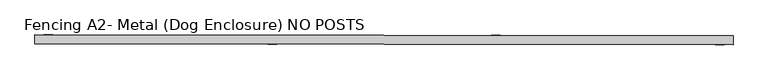
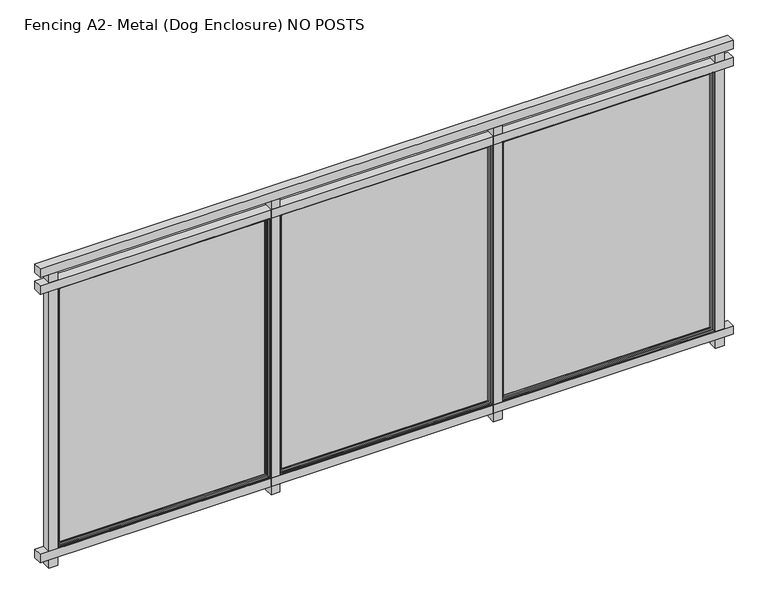
"""IFC4 building model written with IfcOpenShell, lengths in millimetres: railing geometry, Fencing A2- Metal (Dog Enclosure) NO POSTS."""

from ifc_helpers import new_model, si_unit, frame, origin, place, context, project, spatial, polyline, ellipse_curve, outline, extrude, source, transform, mapped, element, save
from ifc_brep_helpers import plane_surface, cylinder_surface, advanced_brep


def fencing_a2_metal_dog_enclosure_no_posts_d758f613(model_context):
    return source(origin(), model_context, "Body", "SolidModel", [
        extrude(outline(polyline([(2990.009017, 2336.6135647), (2989.9487159, 2285.8136005), (-972.4484925, 2290.5170853), (-972.3881914, 2341.3170495), (2990.009017, 2336.6135647)])), frame((0.0, 0.0, 1016.0), z_axis=(0.0, 0.0, 1.0), x_axis=(1.0, 0.0, 0.0)), (0.0, 0.0, 1.0), 50.8),
        extrude(outline(polyline([(2990.009017, 2336.6135647), (2989.9487159, 2285.8136005), (-972.4484925, 2290.5170853), (-972.3881914, 2341.3170495), (2990.009017, 2336.6135647)])), frame((0.0, 0.0, 914.4), z_axis=(0.0, 0.0, 1.0), x_axis=(1.0, 0.0, 0.0)), (0.0, 0.0, 1.0), 50.8),
        extrude(outline(polyline([(2990.009017, 2336.6135647), (2989.9487159, 2285.8136005), (-972.4484925, 2290.5170853), (-972.3881914, 2341.3170495), (2990.009017, 2336.6135647)])), frame((0.0, 0.0, -711.2), z_axis=(0.0, 0.0, 1.0), x_axis=(1.0, 0.0, 0.0)), (0.0, 0.0, 1.0), 50.8),
        extrude(outline(polyline([(-870.788263, 2341.1964473), (-870.8485641, 2290.3964831), (-921.6485283, 2290.4567842), (-921.5882272, 2341.2567484), (-870.788263, 2341.1964473)])), frame((0.0, 0.0, -762.0), z_axis=(0.0, 0.0, 1.0), x_axis=(1.0, 0.0, 0.0)), (0.0, 0.0, 1.0), 1778.0),
        advanced_brep(
        [(342.0514605, 2331.8192644, 908.05), (345.230227, 2334.9904934, 911.225), (345.230227, 2334.9904934, -657.225), (342.0514605, 2331.8192644, -654.05), (-867.6189185, 2336.4301818, -657.225), (-864.4476895, 2333.2514153, -654.05), (-870.7939162, 2336.4339507, -660.4), (-870.7939162, 2336.4339507, 914.4), (348.4052248, 2334.9867246, 914.4), (348.4052248, 2334.9867246, -660.4), (-867.6189185, 2336.4301818, 911.225), (-864.4476895, 2333.2514153, 908.05), (342.040154, 2322.2942711, -654.05), (-864.458996, 2323.726422, -654.05), (342.040154, 2322.2942711, 908.05), (-864.458996, 2323.726422, 908.05), (332.5151607, 2322.3055776, -644.525), (332.5151607, 2322.3055776, 898.525), (-854.9340027, 2323.7151155, 898.525), (-854.9340027, 2323.7151155, -644.525), (329.3363941, 2319.1343487, 895.35), (329.3363941, 2319.1343487, -641.35), (-851.7627738, 2320.5363489, -641.35), (-851.7627738, 2320.5363489, 895.35), (329.3326253, 2315.9593509, -641.35), (-851.7665426, 2317.3613512, -641.35), (329.3326253, 2315.9593509, 895.35), (-851.7665426, 2317.3613512, 895.35), (348.3826119, 2315.936738, -660.4), (348.3826119, 2315.936738, 914.4), (-870.8165291, 2317.3839641, 914.4), (-870.8165291, 2317.3839641, -660.4)],
        [
            (0, 1, ellipse_curve(frame((345.2264582, 2331.8154956, 911.225), z_axis=(0.7071062830160321, -0.0008393564505232655, -0.7071067811865475), x_axis=(0.707106283016032, -0.0008393564505232654, 0.7071067811865476)), 4.4901281, 3.175)),
            (1, 2),
            (2, 3, ellipse_curve(frame((345.2264582, 2331.8154956, -657.225), z_axis=(0.7071062830160321, -0.0008393564505232655, 0.7071067811865475), x_axis=(-0.707106283016032, 0.0008393564505232654, 0.7071067811865476)), 4.4901281, 3.175)),
            (3, 0),
            (2, 4),
            (4, 5, ellipse_curve(frame((-867.6226873, 2333.2551841, -657.225), z_axis=(0.7071062830160321, -0.0008393564505232655, -0.7071067811865475), x_axis=(0.7071062830160322, -0.0008393564505232656, 0.7071067811865474)), 4.4901281, 3.175)),
            (5, 3),
            (6, 7),
            (7, 8),
            (8, 9),
            (9, 6),
            (1, 10),
            (10, 4),
            (10, 11, ellipse_curve(frame((-867.6226873, 2333.2551841, 911.225), z_axis=(-0.7071062830160321, 0.0008393564505232655, -0.7071067811865475), x_axis=(0.707106283016032, -0.0008393564505232654, -0.7071067811865476)), 4.4901281, 3.175)),
            (11, 5),
            (12, 3),
            (5, 13),
            (13, 12),
            (14, 0),
            (12, 14),
            (11, 15),
            (15, 13),
            (15, 14),
            (16, 17),
            (17, 18),
            (18, 19),
            (19, 16),
            (20, 17, ellipse_curve(frame((332.5113919, 2319.1305798, 898.525), z_axis=(0.7071062830160321, -0.0008393564505232655, -0.7071067811865475), x_axis=(0.707106283016032, -0.0008393564505232654, 0.7071067811865476)), 4.4901281, 3.175)),
            (16, 21, ellipse_curve(frame((332.5113919, 2319.1305798, -644.525), z_axis=(0.7071062830160321, -0.0008393564505232655, 0.7071067811865475), x_axis=(-0.707106283016032, 0.0008393564505232654, 0.7071067811865476)), 4.4901281, 3.175)),
            (21, 20),
            (19, 22, ellipse_curve(frame((-854.9377715, 2320.5401177, -644.525), z_axis=(0.7071062830160321, -0.0008393564505232655, -0.7071067811865475), x_axis=(0.7071062830160322, -0.0008393564505232656, 0.7071067811865474)), 4.4901281, 3.175)),
            (22, 21),
            (18, 23, ellipse_curve(frame((-854.9377715, 2320.5401177, 898.525), z_axis=(-0.7071062830160321, 0.0008393564505232655, -0.7071067811865475), x_axis=(0.707106283016032, -0.0008393564505232654, -0.7071067811865476)), 4.4901281, 3.175)),
            (23, 22),
            (24, 21),
            (22, 25),
            (25, 24),
            (26, 20),
            (24, 26),
            (23, 27),
            (27, 25),
            (28, 29),
            (29, 30),
            (30, 31),
            (31, 28),
            (27, 26),
            (8, 29),
            (28, 9),
            (31, 6),
            (30, 7),
            (0, 11),
            (20, 23),
        ],
        [
            cylinder_surface(frame((345.2264582, 2331.8154956, 914.4), z_axis=(0.0, 0.0, 1.0), x_axis=(0.9999992954805008, -0.001187029275995899, 0.0)), 3.175),
            cylinder_surface(frame((348.401456, 2331.8117268, -657.225), z_axis=(0.9999992954805008, -0.0011870292759953438, 0.0), x_axis=(0.0, 0.0, -1.0)), 3.175),
            plane_surface(frame((348.4052248, 2334.9867246, 914.4), z_axis=(0.001187029275995899, 0.9999992954805008, 0.0), x_axis=(0.0, 0.0, -1.0))),
            cylinder_surface(frame((-867.6226873, 2333.2551841, -660.4), z_axis=(0.0, 0.0, -1.0), x_axis=(-0.9999992954805008, 0.0011870292759947887, 0.0)), 3.175),
            plane_surface(frame((342.0514605, 2331.8192644, -654.05), z_axis=(0.0, 0.0, 1.0), x_axis=(-0.9999992954805008, 0.0011870292759953486, 0.0))),
            plane_surface(frame((342.0514605, 2331.8192644, 908.05), z_axis=(-0.9999992954805008, 0.001187029275995899, 0.0), x_axis=(0.0, 0.0, -1.0))),
            plane_surface(frame((-864.4476895, 2333.2514153, -654.05), z_axis=(0.9999992954805008, -0.0011870292759947887, 0.0), x_axis=(0.0, 0.0, 1.0))),
            plane_surface(frame((342.040154, 2322.2942711, 908.05), z_axis=(0.001187029275995899, 0.9999992954805008, 0.0), x_axis=(0.0, 0.0, -1.0))),
            cylinder_surface(frame((332.5113919, 2319.1305798, 914.4), z_axis=(0.0, 0.0, 1.0), x_axis=(0.9999992954805008, -0.001187029275995899, 0.0)), 3.175),
            cylinder_surface(frame((348.3863807, 2319.1117357, -644.525), z_axis=(0.9999992954805008, -0.0011870292759953438, 0.0), x_axis=(0.0, 0.0, -1.0)), 3.175),
            cylinder_surface(frame((-854.9377715, 2320.5401177, -660.4), z_axis=(0.0, 0.0, -1.0), x_axis=(-0.9999992954805008, 0.0011870292759947887, 0.0)), 3.175),
            plane_surface(frame((329.3363941, 2319.1343487, -641.35), z_axis=(0.0, 0.0, 1.0), x_axis=(-0.9999992954805008, 0.001187029275995351, 0.0))),
            plane_surface(frame((329.3363941, 2319.1343487, 895.35), z_axis=(-0.9999992954805008, 0.001187029275995899, 0.0), x_axis=(0.0, 0.0, -1.0))),
            plane_surface(frame((-851.7627738, 2320.5363489, -641.35), z_axis=(0.9999992954805008, -0.0011870292759947887, 0.0), x_axis=(0.0, 0.0, 1.0))),
            plane_surface(frame((329.3326253, 2315.9593509, 895.35), z_axis=(-0.001187029275995899, -0.9999992954805008, 0.0), x_axis=(0.0, 0.0, -1.0))),
            plane_surface(frame((348.3826119, 2315.936738, 914.4), z_axis=(0.9999992954805008, -0.001187029275995899, 0.0), x_axis=(0.0, 0.0, -1.0))),
            plane_surface(frame((348.3826119, 2315.936738, -660.4), z_axis=(0.0, 0.0, -1.0), x_axis=(-0.9999992954805008, 0.0011870292759953438, 0.0))),
            plane_surface(frame((-870.8165291, 2317.3839641, -660.4), z_axis=(-0.9999992954805008, 0.0011870292759947887, 0.0), x_axis=(0.0, 0.0, 1.0))),
            cylinder_surface(frame((-870.7976851, 2333.2589529, 911.225), z_axis=(-0.9999992954805008, 0.0011870292759953438, 0.0), x_axis=(0.0, 0.0, 1.0)), 3.175),
            plane_surface(frame((-864.4476895, 2333.2514153, 908.05), z_axis=(0.0, 0.0, -1.0), x_axis=(0.9999992954805008, -0.0011870292759953449, 0.0))),
            cylinder_surface(frame((-870.8127603, 2320.5589618, 898.525), z_axis=(-0.9999992954805008, 0.0011870292759953438, 0.0), x_axis=(0.0, 0.0, 1.0)), 3.175),
            plane_surface(frame((-851.7627738, 2320.5363489, 895.35), z_axis=(0.0, 0.0, -1.0), x_axis=(0.9999992954805008, -0.001187029275995351, 0.0))),
            plane_surface(frame((-870.8165291, 2317.3839641, 914.4), z_axis=(0.0, 0.0, 1.0), x_axis=(0.9999992954805008, -0.0011870292759953438, 0.0))),
        ],
        [
            (0, [[1, 2, 3, 4]]),
            (1, [[-3, 5, 6, 7]]),
            (2, [[8, 9, 10, 11], [-2, 12, 13, -5]]),
            (3, [[-6, -13, 14, 15]]),
            (4, [[16, -7, 17, 18]]),
            (5, [[19, -4, -16, 20]]),
            (6, [[-17, -15, 21, 22]]),
            (7, [[-22, 23, -20, -18], [24, 25, 26, 27]]),
            (8, [[28, -24, 29, 30]]),
            (9, [[-29, -27, 31, 32]]),
            (10, [[-31, -26, 33, 34]]),
            (11, [[35, -32, 36, 37]]),
            (12, [[38, -30, -35, 39]]),
            (13, [[-36, -34, 40, 41]]),
            (14, [[42, 43, 44, 45], [-41, 46, -39, -37]]),
            (15, [[47, -42, 48, -10]]),
            (16, [[-48, -45, 49, -11]]),
            (17, [[-49, -44, 50, -8]]),
            (18, [[-14, -12, -1, 51]]),
            (19, [[-21, -51, -19, -23]]),
            (20, [[-33, -25, -28, 52]]),
            (21, [[-40, -52, -38, -46]]),
            (22, [[-50, -43, -47, -9]]),
        ],
    ),
        advanced_brep(
        [(348.3788431, 2312.7617402, 914.4), (348.3562302, 2293.7117536, 914.4), (348.3562302, 2293.7117536, -660.4), (348.3788431, 2312.7617402, -660.4), (-870.8429109, 2295.1589797, -660.4), (-870.820298, 2314.2089663, -660.4), (-870.8429109, 2295.1589797, 914.4), (-867.6679131, 2295.1552109, -657.225), (-867.6679131, 2295.1552109, 911.225), (345.1812324, 2293.7155225, 911.225), (345.1812324, 2293.7155225, -657.225), (-870.820298, 2314.2089663, 914.4), (329.3288565, 2312.7843531, -641.35), (329.3288565, 2312.7843531, 895.35), (-851.7703114, 2314.1863534, 895.35), (-851.7703114, 2314.1863534, -641.35), (329.3250877, 2309.6093554, 895.35), (329.3250877, 2309.6093554, -641.35), (-851.7740802, 2311.0113556, -641.35), (-851.7740802, 2311.0113556, 895.35), (332.4963166, 2306.4305888, -644.525), (-854.9528468, 2307.8401267, -644.525), (332.4963166, 2306.4305888, 898.525), (-854.9528468, 2307.8401267, 898.525), (342.0213099, 2306.4192823, -654.05), (342.0213099, 2306.4192823, 908.05), (-864.4778401, 2307.8514332, 908.05), (-864.4778401, 2307.8514332, -654.05), (342.0100035, 2296.894289, 908.05), (342.0100035, 2296.894289, -654.05), (-864.4891465, 2298.3264399, -654.05), (-864.4891465, 2298.3264399, 908.05)],
        [
            (0, 1),
            (1, 2),
            (2, 3),
            (3, 0),
            (2, 4),
            (4, 5),
            (5, 3),
            (1, 6),
            (6, 4),
            (7, 8),
            (8, 9),
            (9, 10),
            (10, 7),
            (6, 11),
            (11, 5),
            (11, 0),
            (12, 13),
            (13, 14),
            (14, 15),
            (15, 12),
            (16, 13),
            (12, 17),
            (17, 16),
            (15, 18),
            (18, 17),
            (14, 19),
            (19, 18),
            (20, 17, ellipse_curve(frame((332.5000855, 2309.6055865, -644.525), z_axis=(-0.7071062830160321, 0.0008393564505232655, -0.7071067811865475), x_axis=(0.7071062830160322, -0.0008393564505232656, -0.7071067811865474)), 4.4901281, 3.175)),
            (18, 21, ellipse_curve(frame((-854.949078, 2311.0151245, -644.525), z_axis=(0.7071062830160321, -0.0008393564505232655, -0.7071067811865475), x_axis=(0.7071062830160322, -0.0008393564505232656, 0.7071067811865474)), 4.4901281, 3.175)),
            (21, 20),
            (22, 16, ellipse_curve(frame((332.5000855, 2309.6055865, 898.525), z_axis=(0.7071062830160321, -0.0008393564505232655, -0.7071067811865475), x_axis=(0.707106283016032, -0.0008393564505232654, 0.7071067811865476)), 4.4901281, 3.175)),
            (20, 22),
            (19, 23, ellipse_curve(frame((-854.949078, 2311.0151245, 898.525), z_axis=(-0.7071062830160321, 0.0008393564505232655, -0.7071067811865475), x_axis=(0.707106283016032, -0.0008393564505232654, -0.7071067811865476)), 4.4901281, 3.175)),
            (23, 21),
            (24, 25),
            (25, 26),
            (26, 27),
            (27, 24),
            (23, 22),
            (28, 25),
            (24, 29),
            (29, 28),
            (27, 30),
            (30, 29),
            (26, 31),
            (31, 30),
            (10, 29, ellipse_curve(frame((345.1850012, 2296.8905202, -657.225), z_axis=(-0.7071062830160321, 0.0008393564505232655, -0.7071067811865475), x_axis=(0.7071062830160322, -0.0008393564505232656, -0.7071067811865474)), 4.4901281, 3.175)),
            (30, 7, ellipse_curve(frame((-867.6641443, 2298.3302087, -657.225), z_axis=(0.7071062830160321, -0.0008393564505232655, -0.7071067811865475), x_axis=(0.7071062830160322, -0.0008393564505232656, 0.7071067811865474)), 4.4901281, 3.175)),
            (9, 28, ellipse_curve(frame((345.1850012, 2296.8905202, 911.225), z_axis=(0.7071062830160321, -0.0008393564505232655, -0.7071067811865475), x_axis=(0.707106283016032, -0.0008393564505232654, 0.7071067811865476)), 4.4901281, 3.175)),
            (31, 8, ellipse_curve(frame((-867.6641443, 2298.3302087, 911.225), z_axis=(-0.7071062830160321, 0.0008393564505232655, -0.7071067811865475), x_axis=(0.707106283016032, -0.0008393564505232654, -0.7071067811865476)), 4.4901281, 3.175)),
            (16, 19),
            (28, 31),
        ],
        [
            plane_surface(frame((348.3562302, 2293.7117536, 914.4), z_axis=(0.9999992954805008, -0.001187029275995899, 0.0), x_axis=(0.0, 0.0, -1.0))),
            plane_surface(frame((348.3562302, 2293.7117536, -660.4), z_axis=(0.0, 0.0, -1.0), x_axis=(-0.9999992954805008, 0.0011870292759953438, 0.0))),
            plane_surface(frame((345.1812324, 2293.7155225, 911.225), z_axis=(-0.001187029275995899, -0.9999992954805008, 0.0), x_axis=(0.0, 0.0, -1.0))),
            plane_surface(frame((-870.8429109, 2295.1589797, -660.4), z_axis=(-0.9999992954805008, 0.0011870292759947887, 0.0), x_axis=(0.0, 0.0, 1.0))),
            plane_surface(frame((348.3788431, 2312.7617402, 914.4), z_axis=(0.001187029275995899, 0.9999992954805008, 0.0), x_axis=(0.0, 0.0, -1.0))),
            plane_surface(frame((329.3288565, 2312.7843531, 895.35), z_axis=(-0.9999992954805008, 0.001187029275995899, 0.0), x_axis=(0.0, 0.0, -1.0))),
            plane_surface(frame((329.3288565, 2312.7843531, -641.35), z_axis=(0.0, 0.0, 1.0), x_axis=(-0.9999992954805008, 0.001187029275995351, 0.0))),
            plane_surface(frame((-851.7703114, 2314.1863534, -641.35), z_axis=(0.9999992954805008, -0.0011870292759947887, 0.0), x_axis=(0.0, 0.0, 1.0))),
            cylinder_surface(frame((348.3750743, 2309.5867425, -644.525), z_axis=(0.9999992954805008, -0.0011870292759953438, 0.0), x_axis=(0.0, 0.0, -1.0)), 3.175),
            cylinder_surface(frame((332.5000855, 2309.6055865, 914.4), z_axis=(0.0, 0.0, 1.0), x_axis=(0.9999992954805008, -0.001187029275995899, 0.0)), 3.175),
            cylinder_surface(frame((-854.949078, 2311.0151245, -660.4), z_axis=(0.0, 0.0, -1.0), x_axis=(-0.9999992954805008, 0.0011870292759947887, 0.0)), 3.175),
            plane_surface(frame((332.4963166, 2306.4305888, 898.525), z_axis=(-0.001187029275995899, -0.9999992954805008, 0.0), x_axis=(0.0, 0.0, -1.0))),
            plane_surface(frame((342.0213099, 2306.4192823, 908.05), z_axis=(-0.9999992954805008, 0.001187029275995899, 0.0), x_axis=(0.0, 0.0, -1.0))),
            plane_surface(frame((342.0213099, 2306.4192823, -654.05), z_axis=(0.0, 0.0, 1.0), x_axis=(-0.9999992954805008, 0.0011870292759953449, 0.0))),
            plane_surface(frame((-864.4778401, 2307.8514332, -654.05), z_axis=(0.9999992954805008, -0.0011870292759947887, 0.0), x_axis=(0.0, 0.0, 1.0))),
            cylinder_surface(frame((348.359999, 2296.8867514, -657.225), z_axis=(0.9999992954805008, -0.0011870292759953438, 0.0), x_axis=(0.0, 0.0, -1.0)), 3.175),
            cylinder_surface(frame((345.1850012, 2296.8905202, 914.4), z_axis=(0.0, 0.0, 1.0), x_axis=(0.9999992954805008, -0.001187029275995899, 0.0)), 3.175),
            cylinder_surface(frame((-867.6641443, 2298.3302087, -660.4), z_axis=(0.0, 0.0, -1.0), x_axis=(-0.9999992954805008, 0.0011870292759947887, 0.0)), 3.175),
            plane_surface(frame((-870.8429109, 2295.1589797, 914.4), z_axis=(0.0, 0.0, 1.0), x_axis=(0.9999992954805008, -0.0011870292759953438, 0.0))),
            plane_surface(frame((-851.7703114, 2314.1863534, 895.35), z_axis=(0.0, 0.0, -1.0), x_axis=(0.9999992954805008, -0.001187029275995351, 0.0))),
            cylinder_surface(frame((-870.8240668, 2311.0339685, 898.525), z_axis=(-0.9999992954805008, 0.0011870292759953438, 0.0), x_axis=(0.0, 0.0, 1.0)), 3.175),
            plane_surface(frame((-864.4778401, 2307.8514332, 908.05), z_axis=(0.0, 0.0, -1.0), x_axis=(0.9999992954805008, -0.0011870292759953449, 0.0))),
            cylinder_surface(frame((-870.8391421, 2298.3339775, 911.225), z_axis=(-0.9999992954805008, 0.0011870292759953438, 0.0), x_axis=(0.0, 0.0, 1.0)), 3.175),
        ],
        [
            (0, [[1, 2, 3, 4]]),
            (1, [[-3, 5, 6, 7]]),
            (2, [[-2, 8, 9, -5], [10, 11, 12, 13]]),
            (3, [[-6, -9, 14, 15]]),
            (4, [[-15, 16, -4, -7], [17, 18, 19, 20]]),
            (5, [[21, -17, 22, 23]]),
            (6, [[-22, -20, 24, 25]]),
            (7, [[-24, -19, 26, 27]]),
            (8, [[28, -25, 29, 30]]),
            (9, [[31, -23, -28, 32]]),
            (10, [[-29, -27, 33, 34]]),
            (11, [[35, 36, 37, 38], [-34, 39, -32, -30]]),
            (12, [[40, -35, 41, 42]]),
            (13, [[-41, -38, 43, 44]]),
            (14, [[-43, -37, 45, 46]]),
            (15, [[47, -44, 48, -13]]),
            (16, [[49, -42, -47, -12]]),
            (17, [[-48, -46, 50, -10]]),
            (18, [[-14, -8, -1, -16]]),
            (19, [[-26, -18, -21, 51]]),
            (20, [[-33, -51, -31, -39]]),
            (21, [[-45, -36, -40, 52]]),
            (22, [[-50, -52, -49, -11]]),
        ],
    ),
        extrude(outline(polyline([(348.3788431, 2312.7617402), (-870.820298, 2314.2089663), (-870.8165291, 2317.3839641), (348.3826119, 2315.936738), (348.3788431, 2312.7617402)])), frame((0.0, 0.0, -660.4), z_axis=(0.0, 0.0, 1.0), x_axis=(1.0, 0.0, 0.0)), (0.0, 0.0, 1.0), 1574.8),
        extrude(outline(polyline([(399.2108422, 2339.6889201), (399.1505412, 2288.8889559), (348.350577, 2288.949257), (348.410878, 2339.7492212), (399.2108422, 2339.6889201)])), frame((0.0, 0.0, -762.0), z_axis=(0.0, 0.0, 1.0), x_axis=(1.0, 0.0, 0.0)), (0.0, 0.0, 1.0), 1778.0),
        advanced_brep(
        [(1612.0505657, 2330.3117373, 908.05), (1615.2293323, 2333.4829662, 911.225), (1615.2293323, 2333.4829662, -657.225), (1612.0505657, 2330.3117373, -654.05), (402.3801868, 2334.9226547, -657.225), (405.5514157, 2331.7438881, -654.05), (399.205189, 2334.9264235, -660.4), (399.205189, 2334.9264235, 914.4), (1618.4043301, 2333.4791974, 914.4), (1618.4043301, 2333.4791974, -660.4), (402.3801868, 2334.9226547, 911.225), (405.5514157, 2331.7438881, 908.05), (1612.0392593, 2320.786744, -654.05), (405.5401093, 2322.2188948, -654.05), (1612.0392593, 2320.786744, 908.05), (405.5401093, 2322.2188948, 908.05), (1602.514266, 2320.7980504, -644.525), (1602.514266, 2320.7980504, 898.525), (415.0651026, 2322.2075883, 898.525), (415.0651026, 2322.2075883, -644.525), (1599.3354994, 2317.6268215, 895.35), (1599.3354994, 2317.6268215, -641.35), (418.2363315, 2319.0288218, -641.35), (418.2363315, 2319.0288218, 895.35), (1599.3317306, 2314.4518237, -641.35), (418.2325627, 2315.853824, -641.35), (1599.3317306, 2314.4518237, 895.35), (418.2325627, 2315.853824, 895.35), (1618.3817172, 2314.4292108, -660.4), (1618.3817172, 2314.4292108, 914.4), (399.1825761, 2315.8764369, 914.4), (399.1825761, 2315.8764369, -660.4)],
        [
            (0, 1, ellipse_curve(frame((1615.2255635, 2330.3079684, 911.225), z_axis=(0.7071062830160321, -0.0008393564505232655, -0.7071067811865475), x_axis=(0.707106283016032, -0.0008393564505232654, 0.7071067811865476)), 4.4901281, 3.175)),
            (1, 2),
            (2, 3, ellipse_curve(frame((1615.2255635, 2330.3079684, -657.225), z_axis=(0.7071062830160321, -0.0008393564505232655, 0.7071067811865475), x_axis=(-0.707106283016032, 0.0008393564505232654, 0.7071067811865476)), 4.4901281, 3.175)),
            (3, 0),
            (2, 4),
            (4, 5, ellipse_curve(frame((402.376418, 2331.7476569, -657.225), z_axis=(0.7071062830160321, -0.0008393564505232655, -0.7071067811865475), x_axis=(0.7071062830160322, -0.0008393564505232656, 0.7071067811865474)), 4.4901281, 3.175)),
            (5, 3),
            (6, 7),
            (7, 8),
            (8, 9),
            (9, 6),
            (1, 10),
            (10, 4),
            (10, 11, ellipse_curve(frame((402.376418, 2331.7476569, 911.225), z_axis=(-0.7071062830160321, 0.0008393564505232655, -0.7071067811865475), x_axis=(0.707106283016032, -0.0008393564505232654, -0.7071067811865476)), 4.4901281, 3.175)),
            (11, 5),
            (12, 3),
            (5, 13),
            (13, 12),
            (14, 0),
            (12, 14),
            (11, 15),
            (15, 13),
            (15, 14),
            (16, 17),
            (17, 18),
            (18, 19),
            (19, 16),
            (20, 17, ellipse_curve(frame((1602.5104972, 2317.6230527, 898.525), z_axis=(0.7071062830160321, -0.0008393564505232655, -0.7071067811865475), x_axis=(0.707106283016032, -0.0008393564505232654, 0.7071067811865476)), 4.4901281, 3.175)),
            (16, 21, ellipse_curve(frame((1602.5104972, 2317.6230527, -644.525), z_axis=(0.7071062830160321, -0.0008393564505232655, 0.7071067811865475), x_axis=(-0.707106283016032, 0.0008393564505232654, 0.7071067811865476)), 4.4901281, 3.175)),
            (21, 20),
            (19, 22, ellipse_curve(frame((415.0613337, 2319.0325906, -644.525), z_axis=(0.7071062830160321, -0.0008393564505232655, -0.7071067811865475), x_axis=(0.7071062830160322, -0.0008393564505232656, 0.7071067811865474)), 4.4901281, 3.175)),
            (22, 21),
            (18, 23, ellipse_curve(frame((415.0613337, 2319.0325906, 898.525), z_axis=(-0.7071062830160321, 0.0008393564505232655, -0.7071067811865475), x_axis=(0.707106283016032, -0.0008393564505232654, -0.7071067811865476)), 4.4901281, 3.175)),
            (23, 22),
            (24, 21),
            (22, 25),
            (25, 24),
            (26, 20),
            (24, 26),
            (23, 27),
            (27, 25),
            (28, 29),
            (29, 30),
            (30, 31),
            (31, 28),
            (27, 26),
            (8, 29),
            (28, 9),
            (31, 6),
            (30, 7),
            (0, 11),
            (20, 23),
        ],
        [
            cylinder_surface(frame((1615.2255635, 2330.3079684, 914.4), z_axis=(0.0, 0.0, 1.0), x_axis=(0.9999992954805008, -0.001187029275995899, 0.0)), 3.175),
            cylinder_surface(frame((1618.4005613, 2330.3041996, -657.225), z_axis=(0.9999992954805008, -0.0011870292759953438, 0.0), x_axis=(0.0, 0.0, -1.0)), 3.175),
            plane_surface(frame((1618.4043301, 2333.4791974, 914.4), z_axis=(0.001187029275995899, 0.9999992954805008, 0.0), x_axis=(0.0, 0.0, -1.0))),
            cylinder_surface(frame((402.376418, 2331.7476569, -660.4), z_axis=(0.0, 0.0, -1.0), x_axis=(-0.9999992954805008, 0.0011870292759947887, 0.0)), 3.175),
            plane_surface(frame((1612.0505657, 2330.3117373, -654.05), z_axis=(0.0, 0.0, 1.0), x_axis=(-0.9999992954805008, 0.0011870292759953486, 0.0))),
            plane_surface(frame((1612.0505657, 2330.3117373, 908.05), z_axis=(-0.9999992954805008, 0.001187029275995899, 0.0), x_axis=(0.0, 0.0, -1.0))),
            plane_surface(frame((405.5514157, 2331.7438881, -654.05), z_axis=(0.9999992954805008, -0.0011870292759947887, 0.0), x_axis=(0.0, 0.0, 1.0))),
            plane_surface(frame((1612.0392593, 2320.786744, 908.05), z_axis=(0.001187029275995899, 0.9999992954805008, 0.0), x_axis=(0.0, 0.0, -1.0))),
            cylinder_surface(frame((1602.5104972, 2317.6230527, 914.4), z_axis=(0.0, 0.0, 1.0), x_axis=(0.9999992954805008, -0.001187029275995899, 0.0)), 3.175),
            cylinder_surface(frame((1618.385486, 2317.6042086, -644.525), z_axis=(0.9999992954805008, -0.0011870292759953438, 0.0), x_axis=(0.0, 0.0, -1.0)), 3.175),
            cylinder_surface(frame((415.0613337, 2319.0325906, -660.4), z_axis=(0.0, 0.0, -1.0), x_axis=(-0.9999992954805008, 0.0011870292759947887, 0.0)), 3.175),
            plane_surface(frame((1599.3354994, 2317.6268215, -641.35), z_axis=(0.0, 0.0, 1.0), x_axis=(-0.9999992954805008, 0.001187029275995351, 0.0))),
            plane_surface(frame((1599.3354994, 2317.6268215, 895.35), z_axis=(-0.9999992954805008, 0.001187029275995899, 0.0), x_axis=(0.0, 0.0, -1.0))),
            plane_surface(frame((418.2363315, 2319.0288218, -641.35), z_axis=(0.9999992954805008, -0.0011870292759947887, 0.0), x_axis=(0.0, 0.0, 1.0))),
            plane_surface(frame((1599.3317306, 2314.4518237, 895.35), z_axis=(-0.001187029275995899, -0.9999992954805008, 0.0), x_axis=(0.0, 0.0, -1.0))),
            plane_surface(frame((1618.3817172, 2314.4292108, 914.4), z_axis=(0.9999992954805008, -0.001187029275995899, 0.0), x_axis=(0.0, 0.0, -1.0))),
            plane_surface(frame((1618.3817172, 2314.4292108, -660.4), z_axis=(0.0, 0.0, -1.0), x_axis=(-0.9999992954805008, 0.0011870292759953438, 0.0))),
            plane_surface(frame((399.1825761, 2315.8764369, -660.4), z_axis=(-0.9999992954805008, 0.0011870292759947887, 0.0), x_axis=(0.0, 0.0, 1.0))),
            cylinder_surface(frame((399.2014202, 2331.7514257, 911.225), z_axis=(-0.9999992954805008, 0.0011870292759953438, 0.0), x_axis=(0.0, 0.0, 1.0)), 3.175),
            plane_surface(frame((405.5514157, 2331.7438881, 908.05), z_axis=(0.0, 0.0, -1.0), x_axis=(0.9999992954805008, -0.0011870292759953449, 0.0))),
            cylinder_surface(frame((399.1863449, 2319.0514347, 898.525), z_axis=(-0.9999992954805008, 0.0011870292759953438, 0.0), x_axis=(0.0, 0.0, 1.0)), 3.175),
            plane_surface(frame((418.2363315, 2319.0288218, 895.35), z_axis=(0.0, 0.0, -1.0), x_axis=(0.9999992954805008, -0.001187029275995351, 0.0))),
            plane_surface(frame((399.1825761, 2315.8764369, 914.4), z_axis=(0.0, 0.0, 1.0), x_axis=(0.9999992954805008, -0.0011870292759953438, 0.0))),
        ],
        [
            (0, [[1, 2, 3, 4]]),
            (1, [[-3, 5, 6, 7]]),
            (2, [[8, 9, 10, 11], [-2, 12, 13, -5]]),
            (3, [[-6, -13, 14, 15]]),
            (4, [[16, -7, 17, 18]]),
            (5, [[19, -4, -16, 20]]),
            (6, [[-17, -15, 21, 22]]),
            (7, [[-22, 23, -20, -18], [24, 25, 26, 27]]),
            (8, [[28, -24, 29, 30]]),
            (9, [[-29, -27, 31, 32]]),
            (10, [[-31, -26, 33, 34]]),
            (11, [[35, -32, 36, 37]]),
            (12, [[38, -30, -35, 39]]),
            (13, [[-36, -34, 40, 41]]),
            (14, [[42, 43, 44, 45], [-41, 46, -39, -37]]),
            (15, [[47, -42, 48, -10]]),
            (16, [[-48, -45, 49, -11]]),
            (17, [[-49, -44, 50, -8]]),
            (18, [[-14, -12, -1, 51]]),
            (19, [[-21, -51, -19, -23]]),
            (20, [[-33, -25, -28, 52]]),
            (21, [[-40, -52, -38, -46]]),
            (22, [[-50, -43, -47, -9]]),
        ],
    ),
        advanced_brep(
        [(1618.3779483, 2311.254213, 914.4), (1618.3553354, 2292.2042265, 914.4), (1618.3553354, 2292.2042265, -660.4), (1618.3779483, 2311.254213, -660.4), (399.1561944, 2293.6514526, -660.4), (399.1788073, 2312.7014391, -660.4), (399.1561944, 2293.6514526, 914.4), (402.3311922, 2293.6476837, -657.225), (402.3311922, 2293.6476837, 911.225), (1615.1803377, 2292.2079953, 911.225), (1615.1803377, 2292.2079953, -657.225), (399.1788073, 2312.7014391, 914.4), (1599.3279618, 2311.2768259, -641.35), (1599.3279618, 2311.2768259, 895.35), (418.2287939, 2312.6788262, 895.35), (418.2287939, 2312.6788262, -641.35), (1599.3241929, 2308.1018282, 895.35), (1599.3241929, 2308.1018282, -641.35), (418.2250251, 2309.5038285, -641.35), (418.2250251, 2309.5038285, 895.35), (1602.4954219, 2304.9230616, -644.525), (415.0462585, 2306.3325995, -644.525), (1602.4954219, 2304.9230616, 898.525), (415.0462585, 2306.3325995, 898.525), (1612.0204152, 2304.9117551, -654.05), (1612.0204152, 2304.9117551, 908.05), (405.5212652, 2306.343906, 908.05), (405.5212652, 2306.343906, -654.05), (1612.0091087, 2295.3867619, 908.05), (1612.0091087, 2295.3867619, -654.05), (405.5099587, 2296.8189127, -654.05), (405.5099587, 2296.8189127, 908.05)],
        [
            (0, 1),
            (1, 2),
            (2, 3),
            (3, 0),
            (2, 4),
            (4, 5),
            (5, 3),
            (1, 6),
            (6, 4),
            (7, 8),
            (8, 9),
            (9, 10),
            (10, 7),
            (6, 11),
            (11, 5),
            (11, 0),
            (12, 13),
            (13, 14),
            (14, 15),
            (15, 12),
            (16, 13),
            (12, 17),
            (17, 16),
            (15, 18),
            (18, 17),
            (14, 19),
            (19, 18),
            (20, 17, ellipse_curve(frame((1602.4991907, 2308.0980594, -644.525), z_axis=(-0.7071062830160321, 0.0008393564505232655, -0.7071067811865475), x_axis=(0.7071062830160322, -0.0008393564505232656, -0.7071067811865474)), 4.4901281, 3.175)),
            (18, 21, ellipse_curve(frame((415.0500273, 2309.5075973, -644.525), z_axis=(0.7071062830160321, -0.0008393564505232655, -0.7071067811865475), x_axis=(0.7071062830160322, -0.0008393564505232656, 0.7071067811865474)), 4.4901281, 3.175)),
            (21, 20),
            (22, 16, ellipse_curve(frame((1602.4991907, 2308.0980594, 898.525), z_axis=(0.7071062830160321, -0.0008393564505232655, -0.7071067811865475), x_axis=(0.707106283016032, -0.0008393564505232654, 0.7071067811865476)), 4.4901281, 3.175)),
            (20, 22),
            (19, 23, ellipse_curve(frame((415.0500273, 2309.5075973, 898.525), z_axis=(-0.7071062830160321, 0.0008393564505232655, -0.7071067811865475), x_axis=(0.707106283016032, -0.0008393564505232654, -0.7071067811865476)), 4.4901281, 3.175)),
            (23, 21),
            (24, 25),
            (25, 26),
            (26, 27),
            (27, 24),
            (23, 22),
            (28, 25),
            (24, 29),
            (29, 28),
            (27, 30),
            (30, 29),
            (26, 31),
            (31, 30),
            (10, 29, ellipse_curve(frame((1615.1841065, 2295.382993, -657.225), z_axis=(-0.7071062830160321, 0.0008393564505232655, -0.7071067811865475), x_axis=(0.7071062830160322, -0.0008393564505232656, -0.7071067811865474)), 4.4901281, 3.175)),
            (30, 7, ellipse_curve(frame((402.334961, 2296.8226815, -657.225), z_axis=(0.7071062830160321, -0.0008393564505232655, -0.7071067811865475), x_axis=(0.7071062830160322, -0.0008393564505232656, 0.7071067811865474)), 4.4901281, 3.175)),
            (9, 28, ellipse_curve(frame((1615.1841065, 2295.382993, 911.225), z_axis=(0.7071062830160321, -0.0008393564505232655, -0.7071067811865475), x_axis=(0.707106283016032, -0.0008393564505232654, 0.7071067811865476)), 4.4901281, 3.175)),
            (31, 8, ellipse_curve(frame((402.334961, 2296.8226815, 911.225), z_axis=(-0.7071062830160321, 0.0008393564505232655, -0.7071067811865475), x_axis=(0.707106283016032, -0.0008393564505232654, -0.7071067811865476)), 4.4901281, 3.175)),
            (16, 19),
            (28, 31),
        ],
        [
            plane_surface(frame((1618.3553354, 2292.2042265, 914.4), z_axis=(0.9999992954805008, -0.001187029275995899, 0.0), x_axis=(0.0, 0.0, -1.0))),
            plane_surface(frame((1618.3553354, 2292.2042265, -660.4), z_axis=(0.0, 0.0, -1.0), x_axis=(-0.9999992954805008, 0.0011870292759953438, 0.0))),
            plane_surface(frame((1615.1803377, 2292.2079953, 911.225), z_axis=(-0.001187029275995899, -0.9999992954805008, 0.0), x_axis=(0.0, 0.0, -1.0))),
            plane_surface(frame((399.1561944, 2293.6514526, -660.4), z_axis=(-0.9999992954805008, 0.0011870292759947887, 0.0), x_axis=(0.0, 0.0, 1.0))),
            plane_surface(frame((1618.3779483, 2311.254213, 914.4), z_axis=(0.001187029275995899, 0.9999992954805008, 0.0), x_axis=(0.0, 0.0, -1.0))),
            plane_surface(frame((1599.3279618, 2311.2768259, 895.35), z_axis=(-0.9999992954805008, 0.001187029275995899, 0.0), x_axis=(0.0, 0.0, -1.0))),
            plane_surface(frame((1599.3279618, 2311.2768259, -641.35), z_axis=(0.0, 0.0, 1.0), x_axis=(-0.9999992954805008, 0.001187029275995351, 0.0))),
            plane_surface(frame((418.2287939, 2312.6788262, -641.35), z_axis=(0.9999992954805008, -0.0011870292759947887, 0.0), x_axis=(0.0, 0.0, 1.0))),
            cylinder_surface(frame((1618.3741795, 2308.0792153, -644.525), z_axis=(0.9999992954805008, -0.0011870292759953438, 0.0), x_axis=(0.0, 0.0, -1.0)), 3.175),
            cylinder_surface(frame((1602.4991907, 2308.0980594, 914.4), z_axis=(0.0, 0.0, 1.0), x_axis=(0.9999992954805008, -0.001187029275995899, 0.0)), 3.175),
            cylinder_surface(frame((415.0500273, 2309.5075973, -660.4), z_axis=(0.0, 0.0, -1.0), x_axis=(-0.9999992954805008, 0.0011870292759947887, 0.0)), 3.175),
            plane_surface(frame((1602.4954219, 2304.9230616, 898.525), z_axis=(-0.001187029275995899, -0.9999992954805008, 0.0), x_axis=(0.0, 0.0, -1.0))),
            plane_surface(frame((1612.0204152, 2304.9117551, 908.05), z_axis=(-0.9999992954805008, 0.001187029275995899, 0.0), x_axis=(0.0, 0.0, -1.0))),
            plane_surface(frame((1612.0204152, 2304.9117551, -654.05), z_axis=(0.0, 0.0, 1.0), x_axis=(-0.9999992954805008, 0.0011870292759953449, 0.0))),
            plane_surface(frame((405.5212652, 2306.343906, -654.05), z_axis=(0.9999992954805008, -0.0011870292759947887, 0.0), x_axis=(0.0, 0.0, 1.0))),
            cylinder_surface(frame((1618.3591043, 2295.3792242, -657.225), z_axis=(0.9999992954805008, -0.0011870292759953438, 0.0), x_axis=(0.0, 0.0, -1.0)), 3.175),
            cylinder_surface(frame((1615.1841065, 2295.382993, 914.4), z_axis=(0.0, 0.0, 1.0), x_axis=(0.9999992954805008, -0.001187029275995899, 0.0)), 3.175),
            cylinder_surface(frame((402.334961, 2296.8226815, -660.4), z_axis=(0.0, 0.0, -1.0), x_axis=(-0.9999992954805008, 0.0011870292759947887, 0.0)), 3.175),
            plane_surface(frame((399.1561944, 2293.6514526, 914.4), z_axis=(0.0, 0.0, 1.0), x_axis=(0.9999992954805008, -0.0011870292759953438, 0.0))),
            plane_surface(frame((418.2287939, 2312.6788262, 895.35), z_axis=(0.0, 0.0, -1.0), x_axis=(0.9999992954805008, -0.001187029275995351, 0.0))),
            cylinder_surface(frame((399.1750385, 2309.5264414, 898.525), z_axis=(-0.9999992954805008, 0.0011870292759953438, 0.0), x_axis=(0.0, 0.0, 1.0)), 3.175),
            plane_surface(frame((405.5212652, 2306.343906, 908.05), z_axis=(0.0, 0.0, -1.0), x_axis=(0.9999992954805008, -0.0011870292759953449, 0.0))),
            cylinder_surface(frame((399.1599632, 2296.8264503, 911.225), z_axis=(-0.9999992954805008, 0.0011870292759953438, 0.0), x_axis=(0.0, 0.0, 1.0)), 3.175),
        ],
        [
            (0, [[1, 2, 3, 4]]),
            (1, [[-3, 5, 6, 7]]),
            (2, [[-2, 8, 9, -5], [10, 11, 12, 13]]),
            (3, [[-6, -9, 14, 15]]),
            (4, [[-15, 16, -4, -7], [17, 18, 19, 20]]),
            (5, [[21, -17, 22, 23]]),
            (6, [[-22, -20, 24, 25]]),
            (7, [[-24, -19, 26, 27]]),
            (8, [[28, -25, 29, 30]]),
            (9, [[31, -23, -28, 32]]),
            (10, [[-29, -27, 33, 34]]),
            (11, [[35, 36, 37, 38], [-34, 39, -32, -30]]),
            (12, [[40, -35, 41, 42]]),
            (13, [[-41, -38, 43, 44]]),
            (14, [[-43, -37, 45, 46]]),
            (15, [[47, -44, 48, -13]]),
            (16, [[49, -42, -47, -12]]),
            (17, [[-48, -46, 50, -10]]),
            (18, [[-14, -8, -1, -16]]),
            (19, [[-26, -18, -21, 51]]),
            (20, [[-33, -51, -31, -39]]),
            (21, [[-45, -36, -40, 52]]),
            (22, [[-50, -52, -49, -11]]),
        ],
    ),
        extrude(outline(polyline([(1618.3779483, 2311.254213), (399.1788073, 2312.7014391), (399.1825761, 2315.8764369), (1618.3817172, 2314.4292108), (1618.3779483, 2311.254213)])), frame((0.0, 0.0, -660.4), z_axis=(0.0, 0.0, 1.0), x_axis=(1.0, 0.0, 0.0)), (0.0, 0.0, 1.0), 1574.8),
        extrude(outline(polyline([(1669.2099475, 2338.1813929), (1669.1496464, 2287.3814287), (1618.3496822, 2287.4417298), (1618.4099833, 2338.241694), (1669.2099475, 2338.1813929)])), frame((0.0, 0.0, -762.0), z_axis=(0.0, 0.0, 1.0), x_axis=(1.0, 0.0, 0.0)), (0.0, 0.0, 1.0), 1778.0),
        advanced_brep(
        [(2882.049671, 2328.8042101, 908.05), (2885.2284376, 2331.975439, 911.225), (2885.2284376, 2331.975439, -657.225), (2882.049671, 2328.8042101, -654.05), (1672.379292, 2333.4151275, -657.225), (1675.550521, 2330.2363609, -654.05), (1669.2042943, 2333.4188963, -660.4), (1669.2042943, 2333.4188963, 914.4), (2888.4034353, 2331.9716702, 914.4), (2888.4034353, 2331.9716702, -660.4), (1672.379292, 2333.4151275, 911.225), (1675.550521, 2330.2363609, 908.05), (2882.0383645, 2319.2792168, -654.05), (1675.5392145, 2320.7113676, -654.05), (2882.0383645, 2319.2792168, 908.05), (1675.5392145, 2320.7113676, 908.05), (2872.5133712, 2319.2905232, -644.525), (2872.5133712, 2319.2905232, 898.525), (1685.0642078, 2320.7000612, 898.525), (1685.0642078, 2320.7000612, -644.525), (2869.3346047, 2316.1192943, 895.35), (2869.3346047, 2316.1192943, -641.35), (1688.2354368, 2317.5212946, -641.35), (1688.2354368, 2317.5212946, 895.35), (2869.3308358, 2312.9442965, -641.35), (1688.231668, 2314.3462968, -641.35), (2869.3308358, 2312.9442965, 895.35), (1688.231668, 2314.3462968, 895.35), (2888.3808224, 2312.9216836, -660.4), (2888.3808224, 2312.9216836, 914.4), (1669.1816814, 2314.3689097, 914.4), (1669.1816814, 2314.3689097, -660.4)],
        [
            (0, 1, ellipse_curve(frame((2885.2246687, 2328.8004413, 911.225), z_axis=(0.7071062830160321, -0.0008393564505232655, -0.7071067811865475), x_axis=(0.707106283016032, -0.0008393564505232654, 0.7071067811865476)), 4.4901281, 3.175)),
            (1, 2),
            (2, 3, ellipse_curve(frame((2885.2246687, 2328.8004413, -657.225), z_axis=(0.7071062830160321, -0.0008393564505232655, 0.7071067811865475), x_axis=(-0.707106283016032, 0.0008393564505232654, 0.7071067811865476)), 4.4901281, 3.175)),
            (3, 0),
            (2, 4),
            (4, 5, ellipse_curve(frame((1672.3755232, 2330.2401297, -657.225), z_axis=(0.7071062830160321, -0.0008393564505232655, -0.7071067811865475), x_axis=(0.7071062830160322, -0.0008393564505232656, 0.7071067811865474)), 4.4901281, 3.175)),
            (5, 3),
            (6, 7),
            (7, 8),
            (8, 9),
            (9, 6),
            (1, 10),
            (10, 4),
            (10, 11, ellipse_curve(frame((1672.3755232, 2330.2401297, 911.225), z_axis=(-0.7071062830160321, 0.0008393564505232655, -0.7071067811865475), x_axis=(0.707106283016032, -0.0008393564505232654, -0.7071067811865476)), 4.4901281, 3.175)),
            (11, 5),
            (12, 3),
            (5, 13),
            (13, 12),
            (14, 0),
            (12, 14),
            (11, 15),
            (15, 13),
            (15, 14),
            (16, 17),
            (17, 18),
            (18, 19),
            (19, 16),
            (20, 17, ellipse_curve(frame((2872.5096024, 2316.1155255, 898.525), z_axis=(0.7071062830160321, -0.0008393564505232655, -0.7071067811865475), x_axis=(0.707106283016032, -0.0008393564505232654, 0.7071067811865476)), 4.4901281, 3.175)),
            (16, 21, ellipse_curve(frame((2872.5096024, 2316.1155255, -644.525), z_axis=(0.7071062830160321, -0.0008393564505232655, 0.7071067811865475), x_axis=(-0.707106283016032, 0.0008393564505232654, 0.7071067811865476)), 4.4901281, 3.175)),
            (21, 20),
            (19, 22, ellipse_curve(frame((1685.060439, 2317.5250634, -644.525), z_axis=(0.7071062830160321, -0.0008393564505232655, -0.7071067811865475), x_axis=(0.7071062830160322, -0.0008393564505232656, 0.7071067811865474)), 4.4901281, 3.175)),
            (22, 21),
            (18, 23, ellipse_curve(frame((1685.060439, 2317.5250634, 898.525), z_axis=(-0.7071062830160321, 0.0008393564505232655, -0.7071067811865475), x_axis=(0.707106283016032, -0.0008393564505232654, -0.7071067811865476)), 4.4901281, 3.175)),
            (23, 22),
            (24, 21),
            (22, 25),
            (25, 24),
            (26, 20),
            (24, 26),
            (23, 27),
            (27, 25),
            (28, 29),
            (29, 30),
            (30, 31),
            (31, 28),
            (27, 26),
            (8, 29),
            (28, 9),
            (31, 6),
            (30, 7),
            (0, 11),
            (20, 23),
        ],
        [
            cylinder_surface(frame((2885.2246687, 2328.8004413, 914.4), z_axis=(0.0, 0.0, 1.0), x_axis=(0.9999992954805008, -0.001187029275995899, 0.0)), 3.175),
            cylinder_surface(frame((2888.3996665, 2328.7966724, -657.225), z_axis=(0.9999992954805008, -0.0011870292759953438, 0.0), x_axis=(0.0, 0.0, -1.0)), 3.175),
            plane_surface(frame((2888.4034353, 2331.9716702, 914.4), z_axis=(0.001187029275995899, 0.9999992954805008, 0.0), x_axis=(0.0, 0.0, -1.0))),
            cylinder_surface(frame((1672.3755232, 2330.2401297, -660.4), z_axis=(0.0, 0.0, -1.0), x_axis=(-0.9999992954805008, 0.0011870292759947887, 0.0)), 3.175),
            plane_surface(frame((2882.049671, 2328.8042101, -654.05), z_axis=(0.0, 0.0, 1.0), x_axis=(-0.9999992954805008, 0.0011870292759953486, 0.0))),
            plane_surface(frame((2882.049671, 2328.8042101, 908.05), z_axis=(-0.9999992954805008, 0.001187029275995899, 0.0), x_axis=(0.0, 0.0, -1.0))),
            plane_surface(frame((1675.550521, 2330.2363609, -654.05), z_axis=(0.9999992954805008, -0.0011870292759947887, 0.0), x_axis=(0.0, 0.0, 1.0))),
            plane_surface(frame((2882.0383645, 2319.2792168, 908.05), z_axis=(0.001187029275995899, 0.9999992954805008, 0.0), x_axis=(0.0, 0.0, -1.0))),
            cylinder_surface(frame((2872.5096024, 2316.1155255, 914.4), z_axis=(0.0, 0.0, 1.0), x_axis=(0.9999992954805008, -0.001187029275995899, 0.0)), 3.175),
            cylinder_surface(frame((2888.3845912, 2316.0966814, -644.525), z_axis=(0.9999992954805008, -0.0011870292759953438, 0.0), x_axis=(0.0, 0.0, -1.0)), 3.175),
            cylinder_surface(frame((1685.060439, 2317.5250634, -660.4), z_axis=(0.0, 0.0, -1.0), x_axis=(-0.9999992954805008, 0.0011870292759947887, 0.0)), 3.175),
            plane_surface(frame((2869.3346047, 2316.1192943, -641.35), z_axis=(0.0, 0.0, 1.0), x_axis=(-0.9999992954805008, 0.001187029275995351, 0.0))),
            plane_surface(frame((2869.3346047, 2316.1192943, 895.35), z_axis=(-0.9999992954805008, 0.001187029275995899, 0.0), x_axis=(0.0, 0.0, -1.0))),
            plane_surface(frame((1688.2354368, 2317.5212946, -641.35), z_axis=(0.9999992954805008, -0.0011870292759947887, 0.0), x_axis=(0.0, 0.0, 1.0))),
            plane_surface(frame((2869.3308358, 2312.9442965, 895.35), z_axis=(-0.001187029275995899, -0.9999992954805008, 0.0), x_axis=(0.0, 0.0, -1.0))),
            plane_surface(frame((2888.3808224, 2312.9216836, 914.4), z_axis=(0.9999992954805008, -0.001187029275995899, 0.0), x_axis=(0.0, 0.0, -1.0))),
            plane_surface(frame((2888.3808224, 2312.9216836, -660.4), z_axis=(0.0, 0.0, -1.0), x_axis=(-0.9999992954805008, 0.0011870292759953438, 0.0))),
            plane_surface(frame((1669.1816814, 2314.3689097, -660.4), z_axis=(-0.9999992954805008, 0.0011870292759947887, 0.0), x_axis=(0.0, 0.0, 1.0))),
            cylinder_surface(frame((1669.2005255, 2330.2438985, 911.225), z_axis=(-0.9999992954805008, 0.0011870292759953438, 0.0), x_axis=(0.0, 0.0, 1.0)), 3.175),
            plane_surface(frame((1675.550521, 2330.2363609, 908.05), z_axis=(0.0, 0.0, -1.0), x_axis=(0.9999992954805008, -0.0011870292759953449, 0.0))),
            cylinder_surface(frame((1669.1854502, 2317.5439075, 898.525), z_axis=(-0.9999992954805008, 0.0011870292759953438, 0.0), x_axis=(0.0, 0.0, 1.0)), 3.175),
            plane_surface(frame((1688.2354368, 2317.5212946, 895.35), z_axis=(0.0, 0.0, -1.0), x_axis=(0.9999992954805008, -0.001187029275995351, 0.0))),
            plane_surface(frame((1669.1816814, 2314.3689097, 914.4), z_axis=(0.0, 0.0, 1.0), x_axis=(0.9999992954805008, -0.0011870292759953438, 0.0))),
        ],
        [
            (0, [[1, 2, 3, 4]]),
            (1, [[-3, 5, 6, 7]]),
            (2, [[8, 9, 10, 11], [-2, 12, 13, -5]]),
            (3, [[-6, -13, 14, 15]]),
            (4, [[16, -7, 17, 18]]),
            (5, [[19, -4, -16, 20]]),
            (6, [[-17, -15, 21, 22]]),
            (7, [[-22, 23, -20, -18], [24, 25, 26, 27]]),
            (8, [[28, -24, 29, 30]]),
            (9, [[-29, -27, 31, 32]]),
            (10, [[-31, -26, 33, 34]]),
            (11, [[35, -32, 36, 37]]),
            (12, [[38, -30, -35, 39]]),
            (13, [[-36, -34, 40, 41]]),
            (14, [[42, 43, 44, 45], [-41, 46, -39, -37]]),
            (15, [[47, -42, 48, -10]]),
            (16, [[-48, -45, 49, -11]]),
            (17, [[-49, -44, 50, -8]]),
            (18, [[-14, -12, -1, 51]]),
            (19, [[-21, -51, -19, -23]]),
            (20, [[-33, -25, -28, 52]]),
            (21, [[-40, -52, -38, -46]]),
            (22, [[-50, -43, -47, -9]]),
        ],
    ),
        advanced_brep(
        [(2888.3770536, 2309.7466859, 914.4), (2888.3544407, 2290.6966993, 914.4), (2888.3544407, 2290.6966993, -660.4), (2888.3770536, 2309.7466859, -660.4), (1669.1552996, 2292.1439254, -660.4), (1669.1779126, 2311.193912, -660.4), (1669.1552996, 2292.1439254, 914.4), (1672.3302974, 2292.1401566, -657.225), (1672.3302974, 2292.1401566, 911.225), (2885.1794429, 2290.7004681, 911.225), (2885.1794429, 2290.7004681, -657.225), (1669.1779126, 2311.193912, 914.4), (2869.327067, 2309.7692988, -641.35), (2869.327067, 2309.7692988, 895.35), (1688.2278991, 2311.171299, 895.35), (1688.2278991, 2311.171299, -641.35), (2869.3232982, 2306.594301, 895.35), (2869.3232982, 2306.594301, -641.35), (1688.2241303, 2307.9963013, -641.35), (1688.2241303, 2307.9963013, 895.35), (2872.4945272, 2303.4155344, -644.525), (1685.0453637, 2304.8250723, -644.525), (2872.4945272, 2303.4155344, 898.525), (1685.0453637, 2304.8250723, 898.525), (2882.0195204, 2303.404228, -654.05), (2882.0195204, 2303.404228, 908.05), (1675.5203704, 2304.8363788, 908.05), (1675.5203704, 2304.8363788, -654.05), (2882.008214, 2293.8792347, 908.05), (2882.008214, 2293.8792347, -654.05), (1675.509064, 2295.3113855, -654.05), (1675.509064, 2295.3113855, 908.05)],
        [
            (0, 1),
            (1, 2),
            (2, 3),
            (3, 0),
            (2, 4),
            (4, 5),
            (5, 3),
            (1, 6),
            (6, 4),
            (7, 8),
            (8, 9),
            (9, 10),
            (10, 7),
            (6, 11),
            (11, 5),
            (11, 0),
            (12, 13),
            (13, 14),
            (14, 15),
            (15, 12),
            (16, 13),
            (12, 17),
            (17, 16),
            (15, 18),
            (18, 17),
            (14, 19),
            (19, 18),
            (20, 17, ellipse_curve(frame((2872.498296, 2306.5905322, -644.525), z_axis=(-0.7071062830160321, 0.0008393564505232655, -0.7071067811865475), x_axis=(0.7071062830160322, -0.0008393564505232656, -0.7071067811865474)), 4.4901281, 3.175)),
            (18, 21, ellipse_curve(frame((1685.0491326, 2308.0000701, -644.525), z_axis=(0.7071062830160321, -0.0008393564505232655, -0.7071067811865475), x_axis=(0.7071062830160322, -0.0008393564505232656, 0.7071067811865474)), 4.4901281, 3.175)),
            (21, 20),
            (22, 16, ellipse_curve(frame((2872.498296, 2306.5905322, 898.525), z_axis=(0.7071062830160321, -0.0008393564505232655, -0.7071067811865475), x_axis=(0.707106283016032, -0.0008393564505232654, 0.7071067811865476)), 4.4901281, 3.175)),
            (20, 22),
            (19, 23, ellipse_curve(frame((1685.0491326, 2308.0000701, 898.525), z_axis=(-0.7071062830160321, 0.0008393564505232655, -0.7071067811865475), x_axis=(0.707106283016032, -0.0008393564505232654, -0.7071067811865476)), 4.4901281, 3.175)),
            (23, 21),
            (24, 25),
            (25, 26),
            (26, 27),
            (27, 24),
            (23, 22),
            (28, 25),
            (24, 29),
            (29, 28),
            (27, 30),
            (30, 29),
            (26, 31),
            (31, 30),
            (10, 29, ellipse_curve(frame((2885.1832118, 2293.8754659, -657.225), z_axis=(-0.7071062830160321, 0.0008393564505232655, -0.7071067811865475), x_axis=(0.7071062830160322, -0.0008393564505232656, -0.7071067811865474)), 4.4901281, 3.175)),
            (30, 7, ellipse_curve(frame((1672.3340662, 2295.3151543, -657.225), z_axis=(0.7071062830160321, -0.0008393564505232655, -0.7071067811865475), x_axis=(0.7071062830160322, -0.0008393564505232656, 0.7071067811865474)), 4.4901281, 3.175)),
            (9, 28, ellipse_curve(frame((2885.1832118, 2293.8754659, 911.225), z_axis=(0.7071062830160321, -0.0008393564505232655, -0.7071067811865475), x_axis=(0.707106283016032, -0.0008393564505232654, 0.7071067811865476)), 4.4901281, 3.175)),
            (31, 8, ellipse_curve(frame((1672.3340662, 2295.3151543, 911.225), z_axis=(-0.7071062830160321, 0.0008393564505232655, -0.7071067811865475), x_axis=(0.707106283016032, -0.0008393564505232654, -0.7071067811865476)), 4.4901281, 3.175)),
            (16, 19),
            (28, 31),
        ],
        [
            plane_surface(frame((2888.3544407, 2290.6966993, 914.4), z_axis=(0.9999992954805008, -0.001187029275995899, 0.0), x_axis=(0.0, 0.0, -1.0))),
            plane_surface(frame((2888.3544407, 2290.6966993, -660.4), z_axis=(0.0, 0.0, -1.0), x_axis=(-0.9999992954805008, 0.0011870292759953438, 0.0))),
            plane_surface(frame((2885.1794429, 2290.7004681, 911.225), z_axis=(-0.001187029275995899, -0.9999992954805008, 0.0), x_axis=(0.0, 0.0, -1.0))),
            plane_surface(frame((1669.1552996, 2292.1439254, -660.4), z_axis=(-0.9999992954805008, 0.0011870292759947887, 0.0), x_axis=(0.0, 0.0, 1.0))),
            plane_surface(frame((2888.3770536, 2309.7466859, 914.4), z_axis=(0.001187029275995899, 0.9999992954805008, 0.0), x_axis=(0.0, 0.0, -1.0))),
            plane_surface(frame((2869.327067, 2309.7692988, 895.35), z_axis=(-0.9999992954805008, 0.001187029275995899, 0.0), x_axis=(0.0, 0.0, -1.0))),
            plane_surface(frame((2869.327067, 2309.7692988, -641.35), z_axis=(0.0, 0.0, 1.0), x_axis=(-0.9999992954805008, 0.001187029275995351, 0.0))),
            plane_surface(frame((1688.2278991, 2311.171299, -641.35), z_axis=(0.9999992954805008, -0.0011870292759947887, 0.0), x_axis=(0.0, 0.0, 1.0))),
            cylinder_surface(frame((2888.3732848, 2306.5716881, -644.525), z_axis=(0.9999992954805008, -0.0011870292759953438, 0.0), x_axis=(0.0, 0.0, -1.0)), 3.175),
            cylinder_surface(frame((2872.498296, 2306.5905322, 914.4), z_axis=(0.0, 0.0, 1.0), x_axis=(0.9999992954805008, -0.001187029275995899, 0.0)), 3.175),
            cylinder_surface(frame((1685.0491326, 2308.0000701, -660.4), z_axis=(0.0, 0.0, -1.0), x_axis=(-0.9999992954805008, 0.0011870292759947887, 0.0)), 3.175),
            plane_surface(frame((2872.4945272, 2303.4155344, 898.525), z_axis=(-0.001187029275995899, -0.9999992954805008, 0.0), x_axis=(0.0, 0.0, -1.0))),
            plane_surface(frame((2882.0195204, 2303.404228, 908.05), z_axis=(-0.9999992954805008, 0.001187029275995899, 0.0), x_axis=(0.0, 0.0, -1.0))),
            plane_surface(frame((2882.0195204, 2303.404228, -654.05), z_axis=(0.0, 0.0, 1.0), x_axis=(-0.9999992954805008, 0.0011870292759953449, 0.0))),
            plane_surface(frame((1675.5203704, 2304.8363788, -654.05), z_axis=(0.9999992954805008, -0.0011870292759947887, 0.0), x_axis=(0.0, 0.0, 1.0))),
            cylinder_surface(frame((2888.3582095, 2293.871697, -657.225), z_axis=(0.9999992954805008, -0.0011870292759953438, 0.0), x_axis=(0.0, 0.0, -1.0)), 3.175),
            cylinder_surface(frame((2885.1832118, 2293.8754659, 914.4), z_axis=(0.0, 0.0, 1.0), x_axis=(0.9999992954805008, -0.001187029275995899, 0.0)), 3.175),
            cylinder_surface(frame((1672.3340662, 2295.3151543, -660.4), z_axis=(0.0, 0.0, -1.0), x_axis=(-0.9999992954805008, 0.0011870292759947887, 0.0)), 3.175),
            plane_surface(frame((1669.1552996, 2292.1439254, 914.4), z_axis=(0.0, 0.0, 1.0), x_axis=(0.9999992954805008, -0.0011870292759953438, 0.0))),
            plane_surface(frame((1688.2278991, 2311.171299, 895.35), z_axis=(0.0, 0.0, -1.0), x_axis=(0.9999992954805008, -0.001187029275995351, 0.0))),
            cylinder_surface(frame((1669.1741437, 2308.0189142, 898.525), z_axis=(-0.9999992954805008, 0.0011870292759953438, 0.0), x_axis=(0.0, 0.0, 1.0)), 3.175),
            plane_surface(frame((1675.5203704, 2304.8363788, 908.05), z_axis=(0.0, 0.0, -1.0), x_axis=(0.9999992954805008, -0.0011870292759953449, 0.0))),
            cylinder_surface(frame((1669.1590685, 2295.3189231, 911.225), z_axis=(-0.9999992954805008, 0.0011870292759953438, 0.0), x_axis=(0.0, 0.0, 1.0)), 3.175),
        ],
        [
            (0, [[1, 2, 3, 4]]),
            (1, [[-3, 5, 6, 7]]),
            (2, [[-2, 8, 9, -5], [10, 11, 12, 13]]),
            (3, [[-6, -9, 14, 15]]),
            (4, [[-15, 16, -4, -7], [17, 18, 19, 20]]),
            (5, [[21, -17, 22, 23]]),
            (6, [[-22, -20, 24, 25]]),
            (7, [[-24, -19, 26, 27]]),
            (8, [[28, -25, 29, 30]]),
            (9, [[31, -23, -28, 32]]),
            (10, [[-29, -27, 33, 34]]),
            (11, [[35, 36, 37, 38], [-34, 39, -32, -30]]),
            (12, [[40, -35, 41, 42]]),
            (13, [[-41, -38, 43, 44]]),
            (14, [[-43, -37, 45, 46]]),
            (15, [[47, -44, 48, -13]]),
            (16, [[49, -42, -47, -12]]),
            (17, [[-48, -46, 50, -10]]),
            (18, [[-14, -8, -1, -16]]),
            (19, [[-26, -18, -21, 51]]),
            (20, [[-33, -51, -31, -39]]),
            (21, [[-45, -36, -40, 52]]),
            (22, [[-50, -52, -49, -11]]),
        ],
    ),
        extrude(outline(polyline([(2888.3770536, 2309.7466859), (1669.1779126, 2311.193912), (1669.1816814, 2314.3689097), (2888.3808224, 2312.9216836), (2888.3770536, 2309.7466859)])), frame((0.0, 0.0, -660.4), z_axis=(0.0, 0.0, 1.0), x_axis=(1.0, 0.0, 0.0)), (0.0, 0.0, 1.0), 1574.8),
        extrude(outline(polyline([(2939.2090528, 2336.6738658), (2939.1487517, 2285.8739015), (2888.3487875, 2285.9342026), (2888.4090886, 2336.7341668), (2939.2090528, 2336.6738658)])), frame((0.0, 0.0, -762.0), z_axis=(0.0, 0.0, 1.0), x_axis=(1.0, 0.0, 0.0)), (0.0, 0.0, 1.0), 1778.0),
    ])


if __name__ == "__main__":
    model = new_model("IFC4")
    model_context = context("Model", 3, world=origin())
    ifc_project = project(units=[si_unit("LENGTHUNIT", "METRE", prefix="MILLI")], contexts=[model_context])
    site = spatial("IfcSite", under=ifc_project)
    building = spatial("IfcBuilding", under=site)
    placement = place(None, origin())
    fencing_a2_metal_dog_enclosure_no_posts_shape = fencing_a2_metal_dog_enclosure_no_posts_d758f613(model_context)
    element("IfcRailing", 1, ObjectType="Fencing A2- Metal (Dog Enclosure) NO POSTS", at=placement, inside=building, context=model_context, shape_type="MappedRepresentation", body=[
        mapped(fencing_a2_metal_dog_enclosure_no_posts_shape, transform((0.0, 0.0, 0.0), x_axis=(1.0, 0.0, 0.0), y_axis=(0.0, 1.0, 0.0), z_axis=(0.0, 0.0, 1.0))),
    ])
    save(model, "model.ifc")
